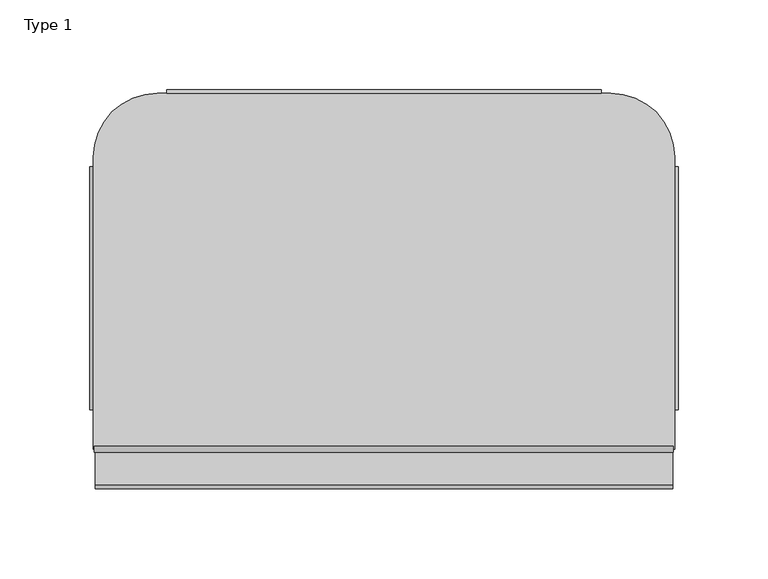
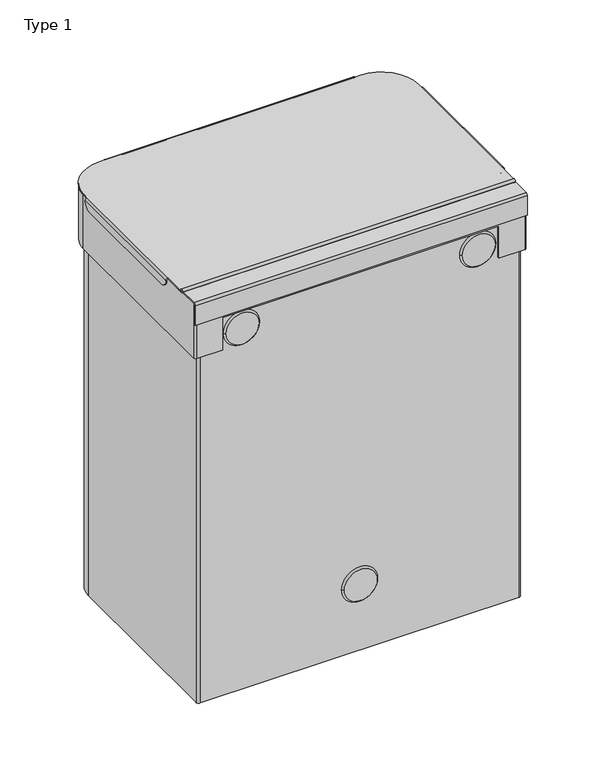
"""IFC4 building model written with IfcOpenShell, lengths in millimetres: furniture geometry, Type 1."""

from ifc_helpers import new_model, si_unit, point, frame, frame_2d, origin, place, context, project, spatial, polyline, circle_curve, trimmed, segment, composite_curve, outline, extrude, source, transform, mapped, element, save
from ifc_brep_helpers import plane_surface, cylinder_surface, revolved_surface, advanced_brep


def type_1_ab514cd2(model_context):
    return source(origin(), model_context, "Body", "SolidModel", [
        extrude(outline(composite_curve([segment(trimmed(circle_curve(frame_2d((98.0001106, 413.000009)), 1.7000416), [point((96.300069, 413.000009))], [point((99.7001522, 413.000009))], False, "CARTESIAN"), True, "CONTINUOUS"), segment(trimmed(circle_curve(frame_2d((98.0001106, 413.000009)), 1.7000416), [point((99.7001522, 413.000009))], [point((96.300069, 413.000009))], False, "CARTESIAN"), True, "CONTINUOUS")], self_intersect=False)), frame((-36.3811582, 0.0, 0.0), z_axis=(1.0, 0.0, 0.0), x_axis=(0.0, 1.0, 0.0)), (0.0, 0.0, 1.0), 322.6642996),
        advanced_brep(
        [(4.0000456, 297.4000034, 411.0000584), (4.0000456, 296.4000645, 411.9999973), (4.0000456, 296.4000645, 413.000009), (4.0000456, 298.4000877, 410.9999857), (245.9999544, 298.4000877, 410.9999857), (245.9999544, 296.4000645, 413.000009), (245.9999544, 296.4000645, 411.9999973), (245.9999544, 297.4000034, 411.0000584), (11.7090575, 298.4000877, 403.2999833), (238.2909425, 298.4000877, 403.2999833), (238.2909425, 297.4000034, 403.2999833), (11.7090575, 297.4000034, 403.2999833), (287.0000681, 260.8691578, 413.000009), (251.4691614, 296.4000645, 413.000009), (-1.5000681, 296.4000645, 413.000009), (-37.0000681, 260.9000645, 413.000009), (-37.0000681, 255.4000961, 413.000009), (-37.0000681, 120.0000759, 413.000009), (-37.0000681, 98.0001106, 413.000009), (287.0000681, 98.0001106, 413.000009), (287.0000681, 120.0000759, 413.000009), (287.0000681, 255.4000961, 413.000009), (287.0000681, 98.0001106, 411.9999973), (-37.0000681, 98.0001106, 411.9999973), (-37.0000681, 120.0000759, 411.9999973), (-37.0000681, 255.4000961, 411.9999973), (-37.0000681, 260.9000645, 411.9999973), (-1.5000681, 296.4000645, 411.9999973), (251.4691614, 296.4000645, 411.9999973), (287.0000681, 260.8691578, 411.9999973), (287.0000681, 255.4000961, 411.9999973), (287.0000681, 120.0000759, 411.9999973), (288.0000071, 255.4000961, 411.0000584), (288.999946, 255.4000961, 411.000131), (288.999946, 120.0000759, 411.000131), (288.0000071, 120.0000759, 411.0000584), (288.999946, 127.7000759, 403.2999833), (288.999946, 247.7000961, 403.2999833), (288.0000071, 127.7000759, 403.2999833), (288.0000071, 247.7000961, 403.2999833), (-38.999946, 255.4000961, 411.000131), (-38.0000071, 255.4000961, 411.0000584), (-38.0000071, 120.0000759, 411.0000584), (-38.999946, 120.0000759, 411.000131), (-38.999946, 247.7000961, 403.2999833), (-38.999946, 127.7000759, 403.2999833), (-38.0000071, 247.7000961, 403.2999833), (-38.0000071, 127.7000759, 403.2999833)],
        [
            (0, 1, circle_curve(frame((4.0000456, 296.4000645, 411.0000584), z_axis=(1.0, 0.0, 0.0), x_axis=(0.0, 1.0, 0.0)), 0.999939)),
            (1, 2),
            (2, 3, circle_curve(frame((4.0000456, 296.4000645, 410.9999857), z_axis=(-1.0, 0.0, 0.0), x_axis=(0.0, 1.0, 0.0)), 2.0000233)),
            (3, 0),
            (4, 5, circle_curve(frame((245.9999544, 296.4000645, 410.9999857), z_axis=(1.0, 0.0, 0.0), x_axis=(0.0, 1.0, 0.0)), 2.0000233)),
            (5, 6),
            (6, 7, circle_curve(frame((245.9999544, 296.4000645, 411.0000584), z_axis=(-1.0, 0.0, 0.0), x_axis=(0.0, 1.0, 0.0)), 0.999939)),
            (7, 4),
            (8, 9),
            (9, 10),
            (10, 11),
            (11, 8),
            (7, 0),
            (0, 11, circle_curve(frame((11.7090575, 297.4000034, 411.0089952), z_axis=(0.0, -1.0, 0.0), x_axis=(1.0, 0.0, 0.0)), 7.7090119)),
            (10, 7, circle_curve(frame((238.2909425, 297.4000034, 411.0089952), z_axis=(0.0, -1.0, 0.0), x_axis=(-1.0, 0.0, 0.0)), 7.7090119)),
            (6, 1),
            (2, 5),
            (4, 3),
            (4, 9, circle_curve(frame((238.2909425, 298.4000877, 411.0089952), z_axis=(0.0, 1.0, 0.0), x_axis=(-1.0, 0.0, 0.0)), 7.7090119)),
            (8, 3, circle_curve(frame((11.7090575, 298.4000877, 411.0089952), z_axis=(0.0, 1.0, 0.0), x_axis=(1.0, 0.0, 0.0)), 7.7090119)),
            (12, 13, circle_curve(frame((251.4691614, 260.8691578, 413.000009), z_axis=(0.0, 0.0, 1.0), x_axis=(-1.0, 0.0, 0.0)), 35.5309067)),
            (13, 5),
            (2, 14),
            (14, 15, circle_curve(frame((-1.5000681, 260.9000645, 413.000009), z_axis=(0.0, 0.0, 1.0), x_axis=(-1.0, 0.0, 0.0)), 35.5)),
            (15, 16),
            (16, 17),
            (17, 18),
            (18, 19),
            (19, 20),
            (20, 21),
            (21, 12),
            (22, 23),
            (23, 24),
            (24, 25),
            (25, 26),
            (26, 27, circle_curve(frame((-1.5000681, 260.9000645, 411.9999973), z_axis=(0.0, 0.0, -1.0), x_axis=(-1.0, 0.0, 0.0)), 35.5)),
            (27, 1),
            (6, 28),
            (28, 29, circle_curve(frame((251.4691614, 260.8691578, 411.9999973), z_axis=(0.0, 0.0, -1.0), x_axis=(-1.0, 0.0, 0.0)), 35.5309067)),
            (29, 30),
            (30, 31),
            (31, 22),
            (12, 29),
            (28, 13),
            (27, 14),
            (26, 15),
            (25, 16),
            (23, 18),
            (17, 24),
            (22, 19),
            (21, 30),
            (31, 20),
            (32, 30, circle_curve(frame((287.0000681, 255.4000961, 411.0000584), z_axis=(0.0, -1.0, 0.0), x_axis=(-1.0, 0.0, 0.0)), 0.999939)),
            (21, 33, circle_curve(frame((287.0000681, 255.4000961, 411.000131), z_axis=(0.0, 1.0, 0.0), x_axis=(-1.0, 0.0, 0.0)), 1.9998779)),
            (33, 32),
            (34, 20, circle_curve(frame((287.0000681, 120.0000759, 411.000131), z_axis=(0.0, -1.0, 0.0), x_axis=(-1.0, 0.0, 0.0)), 1.9998779)),
            (31, 35, circle_curve(frame((287.0000681, 120.0000759, 411.0000584), z_axis=(0.0, 1.0, 0.0), x_axis=(-1.0, 0.0, 0.0)), 0.999939)),
            (35, 34),
            (33, 34),
            (34, 36, circle_curve(frame((288.999946, 127.7000759, 410.9999833), z_axis=(1.0, 0.0, 0.0), x_axis=(0.0, 1.0, 0.0)), 7.7)),
            (36, 37),
            (37, 33, circle_curve(frame((288.999946, 247.7000961, 410.9999833), z_axis=(1.0, 0.0, 0.0), x_axis=(0.0, 1.0, 0.0)), 7.7)),
            (36, 38),
            (38, 39),
            (39, 37),
            (35, 32),
            (32, 39, circle_curve(frame((288.0000071, 247.7000961, 410.9999833), z_axis=(-1.0, 0.0, 0.0), x_axis=(0.0, 1.0, 0.0)), 7.7)),
            (38, 35, circle_curve(frame((288.0000071, 127.7000759, 410.9999833), z_axis=(-1.0, 0.0, 0.0), x_axis=(0.0, 1.0, 0.0)), 7.7)),
            (40, 16, circle_curve(frame((-37.0000681, 255.4000961, 411.000131), z_axis=(0.0, 1.0, 0.0), x_axis=(1.0, 0.0, 0.0)), 1.9998779)),
            (25, 41, circle_curve(frame((-37.0000681, 255.4000961, 411.0000584), z_axis=(0.0, -1.0, 0.0), x_axis=(1.0, 0.0, 0.0)), 0.999939)),
            (41, 40),
            (42, 24, circle_curve(frame((-37.0000681, 120.0000759, 411.0000584), z_axis=(0.0, 1.0, 0.0), x_axis=(1.0, 0.0, 0.0)), 0.999939)),
            (17, 43, circle_curve(frame((-37.0000681, 120.0000759, 411.000131), z_axis=(0.0, -1.0, 0.0), x_axis=(1.0, 0.0, 0.0)), 1.9998779)),
            (43, 42),
            (43, 40),
            (40, 44, circle_curve(frame((-38.999946, 247.7000961, 410.9999833), z_axis=(-1.0, 0.0, 0.0), x_axis=(0.0, 1.0, 0.0)), 7.7)),
            (44, 45),
            (45, 43, circle_curve(frame((-38.999946, 127.7000759, 410.9999833), z_axis=(-1.0, 0.0, 0.0), x_axis=(0.0, 1.0, 0.0)), 7.7)),
            (44, 46),
            (46, 47),
            (47, 45),
            (41, 42),
            (42, 47, circle_curve(frame((-38.0000071, 127.7000759, 410.9999833), z_axis=(1.0, 0.0, 0.0), x_axis=(0.0, 1.0, 0.0)), 7.7)),
            (46, 41, circle_curve(frame((-38.0000071, 247.7000961, 410.9999833), z_axis=(1.0, 0.0, 0.0), x_axis=(0.0, 1.0, 0.0)), 7.7)),
        ],
        [
            plane_surface(frame((4.0000456, 297.4000034, 403.2999833), z_axis=(-1.0, 0.0, 0.0), x_axis=(0.0, -1.0, 0.0))),
            plane_surface(frame((245.9999544, 297.4000034, 403.2999833), z_axis=(1.0, 0.0, 0.0), x_axis=(0.0, 1.0, 0.0))),
            plane_surface(frame((4.0000456, 298.4000877, 403.2999833), z_axis=(0.0, 0.0, -1.0), x_axis=(1.0, 0.0, 0.0))),
            plane_surface(frame((4.0000456, 297.4000034, 403.2999833), z_axis=(0.0, -1.0, 0.0), x_axis=(1.0, 0.0, 0.0))),
            revolved_surface(polyline([(245.9999544, 297.40000349999997, 411.0000584), (4.000045599999993, 297.40000349999997, 411.0000584)]), (245.9999544, 296.4000645, 411.0000584), (1.0, 0.0, 0.0)),
            cylinder_surface(frame((245.9999544, 296.4000645, 410.9999857), z_axis=(-1.0, 0.0, 0.0), x_axis=(0.0, 1.0, 0.0)), 2.0000233),
            plane_surface(frame((4.0000456, 298.4000877, 410.9999857), z_axis=(0.0, 1.0, 0.0), x_axis=(1.0, 0.0, 0.0))),
            plane_surface(frame((215.9382547, 260.8691578, 413.000009), z_axis=(0.0, 0.0, 1.0), x_axis=(0.0, -1.0, 0.0))),
            plane_surface(frame((215.9382547, 260.8691578, 411.9999973), z_axis=(0.0, 0.0, -1.0), x_axis=(0.0, 1.0, 0.0))),
            cylinder_surface(frame((251.4691614, 260.8691578, 411.9999973), z_axis=(0.0, 0.0, 1.0), x_axis=(-1.0, 0.0, 0.0)), 35.5309067),
            plane_surface(frame((251.4691614, 296.4000645, 413.000009), z_axis=(0.0, 1.0, 0.0), x_axis=(0.0, 0.0, -1.0))),
            cylinder_surface(frame((-1.5000681, 260.9000645, 411.9999973), z_axis=(0.0, 0.0, 1.0), x_axis=(-1.0, 0.0, 0.0)), 35.5),
            plane_surface(frame((-37.0000681, 260.9000645, 413.000009), z_axis=(-1.0, 0.0, 0.0), x_axis=(0.0, 0.0, -1.0))),
            plane_surface(frame((-37.0000681, 98.0001106, 413.000009), z_axis=(0.0, -1.0, 0.0), x_axis=(0.0, 0.0, -1.0))),
            plane_surface(frame((287.0000681, 98.0001106, 413.000009), z_axis=(1.0, 0.0, 0.0), x_axis=(0.0, 0.0, -1.0))),
            plane_surface(frame((286.0001291, 255.4000961, 411.0000584), z_axis=(0.0, 1.0, 0.0), x_axis=(0.0, 0.0, -1.0))),
            plane_surface(frame((286.0001291, 120.0000759, 411.0000584), z_axis=(0.0, -1.0, 0.0), x_axis=(0.0, 0.0, 1.0))),
            plane_surface(frame((288.999946, 255.4000961, 411.000131), z_axis=(1.0, 0.0, 0.0), x_axis=(0.0, -1.0, 0.0))),
            plane_surface(frame((288.999946, 255.4000961, 403.2999833), z_axis=(0.0, 0.0, -1.0), x_axis=(0.0, -1.0, 0.0))),
            plane_surface(frame((288.0000071, 255.4000961, 403.2999833), z_axis=(-1.0, 0.0, 0.0), x_axis=(0.0, -1.0, 0.0))),
            revolved_surface(polyline([(286.00012910000004, 120.0000759, 411.0000584), (286.00012910000004, 255.40009610000004, 411.0000584)]), (287.0000681, 120.0000759, 411.0000584), (0.0, -1.0, 0.0)),
            cylinder_surface(frame((287.0000681, 120.0000759, 411.000131), z_axis=(0.0, 1.0, 0.0), x_axis=(-1.0, 0.0, 0.0)), 1.9998779),
            plane_surface(frame((-38.0000071, 255.4000961, 409.4977881), z_axis=(0.0, 1.0, 0.0), x_axis=(0.0, 0.0, -1.0))),
            plane_surface(frame((-38.0000071, 120.0000759, 409.4977881), z_axis=(0.0, -1.0, 0.0), x_axis=(0.0, 0.0, 1.0))),
            plane_surface(frame((-38.999946, 255.4000961, 403.2999833), z_axis=(-1.0, 0.0, 0.0), x_axis=(0.0, -1.0, 0.0))),
            plane_surface(frame((-38.0000071, 255.4000961, 403.2999833), z_axis=(0.0, 0.0, -1.0), x_axis=(0.0, -1.0, 0.0))),
            plane_surface(frame((-38.0000071, 255.4000961, 411.0000584), z_axis=(1.0, 0.0, 0.0), x_axis=(0.0, -1.0, 0.0))),
            revolved_surface(polyline([(-36.0001291, 120.0000759, 411.0000584), (-36.0001291, 255.40009610000004, 411.0000584)]), (-37.0000681, 120.0000759, 411.0000584), (0.0, -1.0, 0.0)),
            cylinder_surface(frame((-37.0000681, 120.0000759, 411.000131), z_axis=(0.0, 1.0, 0.0), x_axis=(1.0, 0.0, 0.0)), 1.9998779),
            cylinder_surface(frame((238.2909425, 292.9507891, 411.0089952), z_axis=(0.0, -1.0, 0.0), x_axis=(-1.0, 0.0, 0.0)), 7.7090119),
            cylinder_surface(frame((11.7090575, 171.9501026, 411.0089952), z_axis=(0.0, -1.0, 0.0), x_axis=(1.0, 0.0, 0.0)), 7.7090119),
            cylinder_surface(frame((297.1746809, 127.7000759, 410.9999833), z_axis=(1.0, 0.0, 0.0), x_axis=(0.0, 1.0, 0.0)), 7.7),
            cylinder_surface(frame((125.0, 247.7000961, 410.9999833), z_axis=(1.0, 0.0, 0.0), x_axis=(0.0, 1.0, 0.0)), 7.7),
        ],
        [
            (0, [[1, 2, 3, 4]]),
            (1, [[5, 6, 7, 8]]),
            (2, [[9, 10, 11, 12]]),
            (3, [[13, 14, -11, 15]]),
            (4, [[-1, -13, -7, 16]]),
            (5, [[-3, 17, -5, 18]]),
            (6, [[-18, 19, -9, 20]]),
            (7, [[21, 22, -17, 23, 24, 25, 26, 27, 28, 29, 30, 31]]),
            (8, [[32, 33, 34, 35, 36, 37, -16, 38, 39, 40, 41, 42]]),
            (9, [[-21, 43, -39, 44]]),
            (10, [[-44, -38, -6, -22]]),
            (10, [[45, -23, -2, -37]]),
            (11, [[-24, -45, -36, 46]]),
            (12, [[-46, -35, 47, -25]]),
            (12, [[48, -27, 49, -33]]),
            (13, [[-28, -48, -32, 50]]),
            (14, [[-43, -31, 51, -40]]),
            (14, [[-50, -42, 52, -29]]),
            (15, [[53, -51, 54, 55]]),
            (16, [[56, -52, 57, 58]]),
            (17, [[59, 60, 61, 62]]),
            (18, [[-61, 63, 64, 65]]),
            (19, [[66, 67, -64, 68]]),
            (20, [[-53, -66, -57, -41]]),
            (21, [[-54, -30, -56, -59]]),
            (22, [[69, -47, 70, 71]]),
            (23, [[72, -49, 73, 74]]),
            (24, [[75, 76, 77, 78]]),
            (25, [[-77, 79, 80, 81]]),
            (26, [[82, 83, -80, 84]]),
            (27, [[-70, -34, -72, -82]]),
            (28, [[-69, -75, -73, -26]]),
            (29, [[-8, -15, -10, -19]]),
            (30, [[-4, -20, -12, -14]]),
            (31, [[-58, -68, -63, -60]]),
            (31, [[-74, -78, -81, -83]]),
            (32, [[-55, -62, -65, -67]]),
            (32, [[-71, -84, -79, -76]]),
        ],
    ),
        extrude(outline(composite_curve([segment(polyline([(98.0001106, 413.000009), (98.0001106, 411.9999973), (78.0000843, 411.9999973)]), True, "CONTINUOUS"), segment(trimmed(circle_curve(frame_2d((78.0000843, 410.9999973)), 1.0), [point((78.0000843, 411.9999973))], [point((77.0000843, 410.9999973))], True, "CARTESIAN"), True, "CONTINUOUS"), segment(polyline([(77.0000843, 410.9999973), (77.0000843, 391.0000073), (76.0, 391.0000073), (76.0, 411.000009)]), True, "CONTINUOUS"), segment(trimmed(circle_curve(frame_2d((78.0, 411.000009)), 2.0), [point((76.0, 411.000009))], [point((78.0, 413.000009))], False, "CARTESIAN"), True, "CONTINUOUS"), segment(polyline([(78.0, 413.000009), (98.0001106, 413.000009)]), True, "CONTINUOUS")], self_intersect=False)), frame((-36.0000565, 0.0, 0.0), z_axis=(1.0, 0.0, 0.0), x_axis=(0.0, 1.0, 0.0)), (0.0, 0.0, 1.0), 322.0000402),
        advanced_brep(
        [(285.9999838, 264.40014, 410.9999857), (259.9999838, 290.40014, 410.9999857), (231.4999674, 290.40014, 410.9999857), (231.4999674, 288.4000053, 410.9999857), (231.4347708, 287.4001167, 410.9999857), (256.0000042, 287.4001167, 410.9999857), (281.0000042, 262.4001167, 410.9999857), (281.0000042, 235.291672, 410.9999857), (283.9999945, 235.9001236, 410.9999857), (285.9999838, 235.9001236, 410.9999857), (-10.0000565, 290.40014, 410.9999857), (-36.0000565, 264.40014, 410.9999857), (-36.0000565, 235.9001236, 410.9999857), (-33.9999945, 235.9001236, 410.9999857), (-30.9999793, 235.2916614, 410.9999857), (-30.9999793, 262.4001167, 410.9999857), (-5.9999793, 287.4001167, 410.9999857), (18.5651566, 287.4001167, 410.9999857), (18.4999599, 288.4000053, 410.9999857), (18.4999599, 290.40014, 410.9999857), (276.2999945, 80.0001076, 410.9999857), (-26.2999945, 80.0001076, 410.9999857), (-26.2999945, 76.825095, 410.9999857), (276.2999945, 76.825095, 410.9999857), (285.9999838, 78.825095, 355.9999998), (283.9999838, 76.825095, 355.9999998), (258.9999603, 76.825095, 355.9999998), (258.9999603, 79.0001076, 355.9999998), (279.4933934, 79.0001076, 355.9999998), (282.0000042, 81.5067184, 355.9999998), (282.0000042, 262.4001167, 355.9999998), (256.0000042, 288.4001167, 355.9999998), (-5.9999793, 288.4001167, 355.9999998), (-31.9999793, 262.4001167, 355.9999998), (-31.9999793, 81.5001076, 355.9999998), (-29.4999793, 79.0001076, 355.9999998), (-9.000033, 79.0001076, 355.9999998), (-9.000033, 76.825095, 355.9999998), (-34.0000565, 76.825095, 355.9999998), (-36.0000565, 78.825095, 355.9999998), (-36.0000565, 264.40014, 355.9999998), (-10.0000565, 290.40014, 355.9999998), (259.9999838, 290.40014, 355.9999998), (285.9999838, 264.40014, 355.9999998), (285.9999838, 235.9001236, 411.9999973), (285.9999838, 78.825095, 411.9999973), (285.9999838, 78.825095, 410.9999857), (18.4999599, 290.40014, 411.9999973), (231.4999674, 290.40014, 411.9999973), (-36.0000565, 78.825095, 410.9999857), (-36.0000565, 78.825095, 411.9999973), (-36.0000565, 235.9001236, 411.9999973), (-34.0000565, 76.825095, 410.9999857), (-9.000033, 76.825095, 388.9166679), (258.9999603, 76.825095, 388.9166679), (283.9999838, 76.825095, 410.9999857), (283.9999838, 76.825095, 411.9999973), (276.2999945, 76.825095, 411.9999973), (-26.2999945, 76.825095, 411.9999973), (-33.9999838, 76.825095, 411.9999973), (-9.000033, 79.0001076, 388.9166679), (258.9999603, 79.0001076, 388.9166679), (282.0000042, 81.5067184, 0.0), (279.4933934, 79.0001076, 0.0), (-29.4999793, 79.0001076, 0.0), (-31.9999793, 81.5001076, 0.0), (-31.9999793, 262.4001167, 0.0), (-5.9999793, 288.4001167, 0.0), (256.0000042, 288.4001167, 0.0), (282.0000042, 262.4001167, 0.0), (281.0000042, 262.4001167, 0.0), (256.0000042, 287.4001167, 0.0), (-5.9999793, 287.4001167, 0.0), (-30.9999793, 262.4001167, 0.0), (-30.9999793, 81.5001076, 0.0), (-29.4999793, 80.0001076, 0.0), (279.4933934, 80.0001076, 0.0), (281.0000042, 81.5067184, 0.0), (281.0000042, 81.5067184, 410.9999857), (279.4933934, 80.0001076, 410.9999857), (-29.4999793, 80.0001076, 410.9999857), (-30.9999793, 81.5001076, 410.9999857), (26.1999599, 280.7000053, 411.9999973), (223.7999674, 280.7000053, 411.9999973), (231.4999674, 288.4000053, 411.9999973), (18.4999599, 288.4000053, 411.9999973), (276.2999945, 228.2001236, 411.9999973), (283.9999945, 235.9001236, 411.9999973), (-26.2999945, 228.2001236, 411.9999973), (-33.9999945, 235.9001236, 411.9999973), (223.7999674, 280.7000053, 410.9999857), (26.1999599, 280.7000053, 410.9999857), (276.2999945, 228.2001236, 410.9999857), (-26.2999945, 228.2001236, 410.9999857)],
        [
            (0, 1, circle_curve(frame((259.9999838, 264.40014, 410.9999857), z_axis=(0.0, 0.0, 1.0), x_axis=(-1.0, 0.0, 0.0)), 26.0)),
            (1, 2),
            (2, 3),
            (3, 4, circle_curve(frame((223.7999674, 288.4000053, 410.9999857), z_axis=(0.0, 0.0, -1.0), x_axis=(-1.0, 0.0, 0.0)), 7.7)),
            (4, 5),
            (5, 6, circle_curve(frame((256.0000042, 262.4001167, 410.9999857), z_axis=(0.0, 0.0, -1.0), x_axis=(-1.0, 0.0, 0.0)), 25.0)),
            (6, 7),
            (7, 8, circle_curve(frame((283.9999945, 228.2001236, 410.9999857), z_axis=(0.0, 0.0, -1.0), x_axis=(-1.0, 0.0, 0.0)), 7.7)),
            (8, 9),
            (9, 0),
            (10, 11, circle_curve(frame((-10.0000565, 264.40014, 410.9999857), z_axis=(0.0, 0.0, 1.0), x_axis=(-1.0, 0.0, 0.0)), 26.0)),
            (11, 12),
            (12, 13),
            (13, 14, circle_curve(frame((-33.9999945, 228.2001236, 410.9999857), z_axis=(0.0, 0.0, -1.0), x_axis=(1.0, 0.0, 0.0)), 7.7)),
            (14, 15),
            (15, 16, circle_curve(frame((-5.9999793, 262.4001167, 410.9999857), z_axis=(0.0, 0.0, -1.0), x_axis=(-1.0, 0.0, 0.0)), 25.0)),
            (16, 17),
            (17, 18, circle_curve(frame((26.1999599, 288.4000053, 410.9999857), z_axis=(0.0, 0.0, -1.0), x_axis=(-1.0, 0.0, 0.0)), 7.7)),
            (18, 19),
            (19, 10),
            (20, 21),
            (21, 22),
            (22, 23),
            (23, 20),
            (24, 25, circle_curve(frame((283.9999838, 78.825095, 355.9999998), z_axis=(0.0, 0.0, -1.0), x_axis=(-1.0, 0.0, 0.0)), 2.0)),
            (25, 26),
            (26, 27),
            (27, 28),
            (28, 29, circle_curve(frame((279.4933934, 81.5067184, 355.9999998), z_axis=(0.0, 0.0, 1.0), x_axis=(-1.0, 0.0, 0.0)), 2.5066109)),
            (29, 30),
            (30, 31, circle_curve(frame((256.0000042, 262.4001167, 355.9999998), z_axis=(0.0, 0.0, 1.0), x_axis=(-1.0, 0.0, 0.0)), 26.0)),
            (31, 32),
            (32, 33, circle_curve(frame((-5.9999793, 262.4001167, 355.9999998), z_axis=(0.0, 0.0, 1.0), x_axis=(-1.0, 0.0, 0.0)), 26.0)),
            (33, 34),
            (34, 35, circle_curve(frame((-29.4999793, 81.5001076, 355.9999998), z_axis=(0.0, 0.0, 1.0), x_axis=(-1.0, 0.0, 0.0)), 2.5)),
            (35, 36),
            (36, 37),
            (37, 38),
            (38, 39, circle_curve(frame((-34.0000565, 78.825095, 355.9999998), z_axis=(0.0, 0.0, -1.0), x_axis=(-1.0, 0.0, 0.0)), 2.0)),
            (39, 40),
            (40, 41, circle_curve(frame((-10.0000565, 264.40014, 355.9999998), z_axis=(0.0, 0.0, -1.0), x_axis=(-1.0, 0.0, 0.0)), 26.0)),
            (41, 42),
            (42, 43, circle_curve(frame((259.9999838, 264.40014, 355.9999998), z_axis=(0.0, 0.0, -1.0), x_axis=(-1.0, 0.0, 0.0)), 26.0)),
            (43, 24),
            (43, 0),
            (9, 44),
            (44, 45),
            (45, 46),
            (46, 24),
            (42, 1),
            (41, 10),
            (19, 47),
            (47, 48),
            (48, 2),
            (40, 11),
            (39, 49),
            (49, 50),
            (50, 51),
            (51, 12),
            (38, 52),
            (52, 49, circle_curve(frame((-34.0000565, 78.825095, 410.9999857), z_axis=(0.0, 0.0, -1.0), x_axis=(-1.0, 0.0, 0.0)), 2.0)),
            (37, 53),
            (53, 54),
            (54, 26),
            (25, 55),
            (55, 56),
            (56, 57),
            (57, 23),
            (22, 58),
            (58, 59),
            (59, 52),
            (46, 55, circle_curve(frame((283.9999838, 78.825095, 410.9999857), z_axis=(0.0, 0.0, -1.0), x_axis=(-1.0, 0.0, 0.0)), 2.0)),
            (53, 60),
            (60, 61),
            (61, 54),
            (61, 27),
            (36, 60),
            (62, 63, circle_curve(frame((279.4933934, 81.5067184, 0.0), z_axis=(0.0, 0.0, -1.0), x_axis=(-1.0, 0.0, 0.0)), 2.5066109)),
            (63, 64),
            (64, 65, circle_curve(frame((-29.4999793, 81.5001076, 0.0), z_axis=(0.0, 0.0, -1.0), x_axis=(-1.0, 0.0, 0.0)), 2.5)),
            (65, 66),
            (66, 67, circle_curve(frame((-5.9999793, 262.4001167, 0.0), z_axis=(0.0, 0.0, -1.0), x_axis=(-1.0, 0.0, 0.0)), 26.0)),
            (67, 68),
            (68, 69, circle_curve(frame((256.0000042, 262.4001167, 0.0), z_axis=(0.0, 0.0, -1.0), x_axis=(-1.0, 0.0, 0.0)), 26.0)),
            (69, 62),
            (70, 71, circle_curve(frame((256.0000042, 262.4001167, 0.0), z_axis=(0.0, 0.0, 1.0), x_axis=(-1.0, 0.0, 0.0)), 25.0)),
            (71, 72),
            (72, 73, circle_curve(frame((-5.9999793, 262.4001167, 0.0), z_axis=(0.0, 0.0, 1.0), x_axis=(-1.0, 0.0, 0.0)), 25.0)),
            (73, 74),
            (74, 75, circle_curve(frame((-29.4999793, 81.5001076, 0.0), z_axis=(0.0, 0.0, 1.0), x_axis=(-1.0, 0.0, 0.0)), 1.5)),
            (75, 76),
            (76, 77, circle_curve(frame((279.4933934, 81.5067184, 0.0), z_axis=(0.0, 0.0, 1.0), x_axis=(-1.0, 0.0, 0.0)), 1.5066109)),
            (77, 70),
            (69, 30),
            (29, 62),
            (68, 31),
            (67, 32),
            (66, 33),
            (65, 34),
            (64, 35),
            (63, 28),
            (77, 78),
            (78, 7),
            (6, 70),
            (76, 79),
            (79, 78, circle_curve(frame((279.4933934, 81.5067184, 410.9999857), z_axis=(0.0, 0.0, 1.0), x_axis=(-1.0, 0.0, 0.0)), 1.5066109)),
            (75, 80),
            (80, 21),
            (20, 79),
            (74, 81),
            (81, 80, circle_curve(frame((-29.4999793, 81.5001076, 410.9999857), z_axis=(0.0, 0.0, 1.0), x_axis=(-1.0, 0.0, 0.0)), 1.5)),
            (73, 15),
            (14, 81),
            (72, 16),
            (71, 5),
            (4, 17),
            (82, 83),
            (83, 84, circle_curve(frame((223.7999674, 288.4000053, 411.9999973), z_axis=(0.0, 0.0, 1.0), x_axis=(-1.0, 0.0, 0.0)), 7.7)),
            (84, 48),
            (47, 85),
            (85, 82, circle_curve(frame((26.1999599, 288.4000053, 411.9999973), z_axis=(0.0, 0.0, 1.0), x_axis=(-1.0, 0.0, 0.0)), 7.7)),
            (86, 57),
            (56, 45, circle_curve(frame((283.9999838, 78.825095, 411.9999973), z_axis=(0.0, 0.0, 1.0), x_axis=(-1.0, 0.0, 0.0)), 2.0)),
            (44, 87),
            (87, 86, circle_curve(frame((283.9999945, 228.2001236, 411.9999973), z_axis=(0.0, 0.0, 1.0), x_axis=(-1.0, 0.0, 0.0)), 7.7)),
            (88, 89, circle_curve(frame((-33.9999945, 228.2001236, 411.9999973), z_axis=(0.0, 0.0, 1.0), x_axis=(1.0, 0.0, 0.0)), 7.7)),
            (89, 51),
            (50, 59, circle_curve(frame((-33.9999838, 78.825095, 411.9999973), z_axis=(0.0, 0.0, 1.0), x_axis=(1.0, 0.0, 0.0)), 2.0)),
            (58, 88),
            (90, 91),
            (91, 17, circle_curve(frame((26.1999599, 288.4000053, 410.9999857), z_axis=(0.0, 0.0, -1.0), x_axis=(-1.0, 0.0, 0.0)), 7.7)),
            (4, 90, circle_curve(frame((223.7999674, 288.4000053, 410.9999857), z_axis=(0.0, 0.0, -1.0), x_axis=(-1.0, 0.0, 0.0)), 7.7)),
            (92, 7, circle_curve(frame((283.9999945, 228.2001236, 410.9999857), z_axis=(0.0, 0.0, -1.0), x_axis=(-1.0, 0.0, 0.0)), 7.7)),
            (20, 92),
            (93, 21),
            (14, 93, circle_curve(frame((-33.9999945, 228.2001236, 410.9999857), z_axis=(0.0, 0.0, -1.0), x_axis=(1.0, 0.0, 0.0)), 7.7)),
            (82, 91),
            (90, 83),
            (3, 84),
            (18, 85),
            (86, 92),
            (8, 87),
            (88, 93),
            (13, 89),
        ],
        [
            plane_surface(frame((276.9867825, 81.5067184, 410.9999857), z_axis=(0.0, 0.0, 1.0), x_axis=(0.0, 1.0, 0.0))),
            plane_surface(frame((276.9867825, 81.5067184, 355.9999998), z_axis=(0.0, 0.0, -1.0), x_axis=(0.0, -1.0, 0.0))),
            plane_surface(frame((285.9999838, 78.825095, 410.9999857), z_axis=(1.0, 0.0, 0.0), x_axis=(0.0, 0.0, -1.0))),
            cylinder_surface(frame((259.9999838, 264.40014, 447.0), z_axis=(0.0, 0.0, 1.0), x_axis=(-1.0, 0.0, 0.0)), 26.0),
            plane_surface(frame((259.9999838, 290.40014, 410.9999857), z_axis=(0.0, 1.0, 0.0), x_axis=(0.0, 0.0, -1.0))),
            cylinder_surface(frame((-10.0000565, 264.40014, 447.0), z_axis=(0.0, 0.0, 1.0), x_axis=(-1.0, 0.0, 0.0)), 26.0),
            plane_surface(frame((-36.0000565, 264.40014, 410.9999857), z_axis=(-1.0, 0.0, 0.0), x_axis=(0.0, 0.0, -1.0))),
            cylinder_surface(frame((-34.0000565, 78.825095, 447.0), z_axis=(0.0, 0.0, 1.0), x_axis=(-1.0, 0.0, 0.0)), 2.0),
            plane_surface(frame((-34.0000565, 76.825095, 410.9999857), z_axis=(0.0, -1.0, 0.0), x_axis=(0.0, 0.0, -1.0))),
            cylinder_surface(frame((283.9999838, 78.825095, 447.0), z_axis=(0.0, 0.0, 1.0), x_axis=(-1.0, 0.0, 0.0)), 2.0),
            plane_surface(frame((-9.000033, 79.0001076, 388.9166679), z_axis=(0.0, 0.0, -1.0), x_axis=(0.0, -1.0, 0.0))),
            plane_surface(frame((258.9999603, 79.0001076, 388.9166679), z_axis=(-1.0, 0.0, 0.0), x_axis=(0.0, -1.0, 0.0))),
            plane_surface(frame((-9.000033, 79.0001076, 350.4438006), z_axis=(1.0, 0.0, 0.0), x_axis=(0.0, -1.0, 0.0))),
            plane_surface(frame((282.0000042, 262.4001049, 0.0), z_axis=(0.0, 0.0, -1.0), x_axis=(0.0, -1.0, 0.0))),
            plane_surface(frame((282.0000042, 81.5067184, 410.9999857), z_axis=(1.0, 0.0, 0.0), x_axis=(0.0, 0.0, -1.0))),
            cylinder_surface(frame((256.0000042, 262.4001167, 0.0), z_axis=(0.0, 0.0, 1.0), x_axis=(-1.0, 0.0, 0.0)), 26.0),
            plane_surface(frame((256.0000042, 288.4001167, 410.9999857), z_axis=(0.0, 1.0, 0.0), x_axis=(0.0, 0.0, -1.0))),
            cylinder_surface(frame((-5.9999793, 262.4001167, 0.0), z_axis=(0.0, 0.0, 1.0), x_axis=(-1.0, 0.0, 0.0)), 26.0),
            plane_surface(frame((-31.9999793, 262.4001167, 410.9999857), z_axis=(-1.0, 0.0, 0.0), x_axis=(0.0, 0.0, -1.0))),
            cylinder_surface(frame((-29.4999793, 81.5001076, 0.0), z_axis=(0.0, 0.0, 1.0), x_axis=(-1.0, 0.0, 0.0)), 2.5),
            plane_surface(frame((-29.4999793, 79.0001076, 410.9999857), z_axis=(0.0, -1.0, 0.0), x_axis=(0.0, 0.0, -1.0))),
            cylinder_surface(frame((279.4933934, 81.5067184, 0.0), z_axis=(0.0, 0.0, 1.0), x_axis=(-1.0, 0.0, 0.0)), 2.5066109),
            plane_surface(frame((281.0000042, 262.4001167, 410.9999857), z_axis=(-1.0, 0.0, 0.0), x_axis=(0.0, 0.0, -1.0))),
            revolved_surface(polyline([(277.9867825, 81.5067184, 0.0), (277.9867825, 81.5067184, 410.9999857)]), (279.4933934, 81.5067184, 447.0), (0.0, 0.0, -1.0)),
            plane_surface(frame((279.4933934, 80.0001076, 410.9999857), z_axis=(0.0, 1.0, 0.0), x_axis=(0.0, 0.0, -1.0))),
            revolved_surface(polyline([(-30.9999793, 81.5001076, 0.0), (-30.9999793, 81.5001076, 410.9999857)]), (-29.4999793, 81.5001076, 447.0), (0.0, 0.0, -1.0)),
            plane_surface(frame((-30.9999793, 81.5001076, 410.9999857), z_axis=(1.0, 0.0, 0.0), x_axis=(0.0, 0.0, -1.0))),
            revolved_surface(polyline([(-30.9999793, 262.4001167, 0.0), (-30.9999793, 262.4001167, 410.9999857)]), (-5.9999793, 262.4001167, 447.0), (0.0, 0.0, -1.0)),
            plane_surface(frame((-5.9999793, 287.4001167, 410.9999857), z_axis=(0.0, -1.0, 0.0), x_axis=(0.0, 0.0, -1.0))),
            revolved_surface(polyline([(231.00000419999998, 262.4001167, 0.0), (231.00000419999998, 262.4001167, 410.9999857)]), (256.0000042, 262.4001167, 447.0), (0.0, 0.0, -1.0)),
            plane_surface(frame((223.8000013, 280.7000053, 411.9999973), z_axis=(0.0, 0.0, 1.0), x_axis=(1.0, 0.0, 0.0))),
            plane_surface(frame((223.8000013, 280.7000053, 410.9999857), z_axis=(0.0, 0.0, -1.0), x_axis=(-1.0, 0.0, 0.0))),
            plane_surface(frame((26.1999599, 280.7000053, 411.9999973), z_axis=(0.0, -1.0, 0.0), x_axis=(0.0, 0.0, -1.0))),
            cylinder_surface(frame((223.7999674, 288.4000053, 410.9999857), z_axis=(0.0, 0.0, 1.0), x_axis=(-1.0, 0.0, 0.0)), 7.7),
            plane_surface(frame((231.4999674, 288.4000053, 411.9999973), z_axis=(1.0, 0.0, 0.0), x_axis=(0.0, 0.0, -1.0))),
            plane_surface(frame((18.4999599, 290.40014, 411.9999973), z_axis=(-1.0, 0.0, 0.0), x_axis=(0.0, 0.0, -1.0))),
            cylinder_surface(frame((26.1999599, 288.4000053, 410.9999857), z_axis=(0.0, 0.0, 1.0), x_axis=(-1.0, 0.0, 0.0)), 7.7),
            plane_surface(frame((276.2999945, 228.2001236, 411.9999973), z_axis=(-1.0, 0.0, 0.0), x_axis=(0.0, 0.0, -1.0))),
            plane_surface(frame((285.9999838, 235.9001236, 411.9999973), z_axis=(0.0, 1.0, 0.0), x_axis=(0.0, 0.0, -1.0))),
            cylinder_surface(frame((283.9999945, 228.2001236, 447.0), z_axis=(0.0, 0.0, 1.0), x_axis=(-1.0, 0.0, 0.0)), 7.7),
            cylinder_surface(frame((-33.9999945, 228.2001236, 447.0), z_axis=(0.0, 0.0, 1.0), x_axis=(1.0, 0.0, 0.0)), 7.7),
            plane_surface(frame((-33.9999945, 235.9001236, 411.9999973), z_axis=(0.0, 1.0, 0.0), x_axis=(0.0, 0.0, -1.0))),
            cylinder_surface(frame((-33.9999838, 78.825095, 447.0), z_axis=(0.0, 0.0, 1.0), x_axis=(1.0, 0.0, 0.0)), 2.0),
            plane_surface(frame((-26.2999945, 76.825095, 411.9999973), z_axis=(1.0, 0.0, 0.0), x_axis=(0.0, 0.0, -1.0))),
        ],
        [
            (0, [[1, 2, 3, 4, 5, 6, 7, 8, 9, 10]]),
            (0, [[11, 12, 13, 14, 15, 16, 17, 18, 19, 20]]),
            (0, [[21, 22, 23, 24]]),
            (1, [[25, 26, 27, 28, 29, 30, 31, 32, 33, 34, 35, 36, 37, 38, 39, 40, 41, 42, 43, 44]]),
            (2, [[-44, 45, -10, 46, 47, 48, 49]]),
            (3, [[-1, -45, -43, 50]]),
            (4, [[-42, 51, -20, 52, 53, 54, -2, -50]]),
            (5, [[-11, -51, -41, 55]]),
            (6, [[-40, 56, 57, 58, 59, -12, -55]]),
            (7, [[-39, 60, 61, -56]]),
            (8, [[-60, -38, 62, 63, 64, -26, 65, 66, 67, 68, -23, 69, 70, 71]]),
            (9, [[-25, -49, 72, -65]]),
            (10, [[73, 74, 75, -63]]),
            (11, [[-75, 76, -27, -64]]),
            (12, [[-73, -62, -37, 77]]),
            (13, [[78, 79, 80, 81, 82, 83, 84, 85], [86, 87, 88, 89, 90, 91, 92, 93]]),
            (14, [[-85, 94, -30, 95]]),
            (15, [[-84, 96, -31, -94]]),
            (16, [[-83, 97, -32, -96]]),
            (17, [[-82, 98, -33, -97]]),
            (18, [[-81, 99, -34, -98]]),
            (19, [[-80, 100, -35, -99]]),
            (20, [[-79, 101, -28, -76, -74, -77, -36, -100]]),
            (21, [[-78, -95, -29, -101]]),
            (22, [[-93, 102, 103, -7, 104]]),
            (23, [[-92, 105, 106, -102]]),
            (24, [[-91, 107, 108, -21, 109, -105]]),
            (25, [[-90, 110, 111, -107]]),
            (26, [[-89, 112, -15, 113, -110]]),
            (27, [[-16, -112, -88, 114]]),
            (28, [[-87, 115, -5, 116, -17, -114]]),
            (29, [[-6, -115, -86, -104]]),
            (30, [[117, 118, 119, -53, 120, 121]]),
            (30, [[122, -67, 123, -47, 124, 125]]),
            (30, [[126, 127, -58, 128, -70, 129]]),
            (31, [[130, 131, -116, 132]]),
            (31, [[133, -103, -106, -109, 134]]),
            (31, [[135, -108, -111, -113, 136]]),
            (32, [[-117, 137, -130, 138]]),
            (33, [[-118, -138, -132, -4, 139]]),
            (34, [[-119, -139, -3, -54]]),
            (35, [[-120, -52, -19, 140]]),
            (36, [[-121, -140, -18, -131, -137]]),
            (37, [[-122, 141, -134, -24, -68]]),
            (9, [[-123, -66, -72, -48]]),
            (38, [[-124, -46, -9, 142]]),
            (39, [[-125, -142, -8, -133, -141]]),
            (40, [[-126, 143, -136, -14, 144]]),
            (41, [[-127, -144, -13, -59]]),
            (42, [[-128, -57, -61, -71]]),
            (43, [[-129, -69, -22, -135, -143]]),
        ],
    ),
        advanced_brep(
        [(140.8750003, 76.825095, 68.0000009), (109.1249997, 76.825095, 68.0000009), (143.0499997, 79.0001076, 68.0000009), (106.9500003, 79.0001076, 68.0000009)],
        [
            (0, 1, circle_curve(frame((125.0, 76.825095, 68.0000009), z_axis=(0.0, -1.0, 0.0), x_axis=(1.0, 0.0, 0.0)), 15.8750003)),
            (1, 0, circle_curve(frame((125.0, 76.825095, 68.0000009), z_axis=(0.0, -1.0, 0.0), x_axis=(-1.0, 0.0, 0.0)), 15.8750003)),
            (2, 3, circle_curve(frame((125.0, 79.0001076, 68.0000009), z_axis=(0.0, 1.0, 0.0), x_axis=(-1.0, 0.0, 0.0)), 18.0499997)),
            (3, 2, circle_curve(frame((125.0, 79.0001076, 68.0000009), z_axis=(0.0, 1.0, 0.0), x_axis=(1.0, 0.0, 0.0)), 18.0499997)),
            (2, 0),
            (1, 3),
        ],
        [
            plane_surface(frame((125.0, 76.825095, 68.0000009), z_axis=(0.0, -1.0, 0.0), x_axis=(0.0, 0.0, -1.0))),
            plane_surface(frame((125.0, 79.0001076, 68.0000009), z_axis=(0.0, 1.0, 0.0), x_axis=(0.0, 0.0, -1.0))),
            revolved_surface(polyline([(109.1249997536042, 76.825095, 68.0000009), (106.9500003, 79.0001076, 68.0000009)]), (125.0, 60.9499988, 68.0000009), (0.0, 1.0, 0.0)),
            revolved_surface(polyline([(140.8750002463958, 76.825095, 68.0000009), (143.0499997, 79.0001076, 68.0000009)]), (125.0, 60.9499988, 68.0000009), (0.0, 1.0, 0.0)),
        ],
        [
            (0, [[1, 2]]),
            (1, [[3, 4]]),
            (2, [[-3, 5, -2, 6]]),
            (3, [[-4, -6, -1, -5]]),
        ],
    ),
        advanced_brep(
        [(-5.3750051, 76.825095, 371.0000108), (26.3749955, 76.825095, 371.0000108), (-7.5500045, 79.0001076, 371.0000108), (28.5499949, 79.0001076, 371.0000108)],
        [
            (0, 1, circle_curve(frame((10.4999952, 76.825095, 371.0000108), z_axis=(0.0, -1.0, 0.0), x_axis=(-1.0, 0.0, 0.0)), 15.8750003)),
            (1, 0, circle_curve(frame((10.4999952, 76.825095, 371.0000108), z_axis=(0.0, -1.0, 0.0), x_axis=(1.0, 0.0, 0.0)), 15.8750003)),
            (2, 3, circle_curve(frame((10.4999952, 79.0001076, 371.0000108), z_axis=(0.0, 1.0, 0.0), x_axis=(1.0, 0.0, 0.0)), 18.0499997)),
            (3, 2, circle_curve(frame((10.4999952, 79.0001076, 371.0000108), z_axis=(0.0, 1.0, 0.0), x_axis=(-1.0, 0.0, 0.0)), 18.0499997)),
            (3, 1),
            (0, 2),
        ],
        [
            plane_surface(frame((10.4999952, 76.825095, 371.0000108), z_axis=(0.0, -1.0, 0.0), x_axis=(0.0, 0.0, 1.0))),
            plane_surface(frame((10.4999952, 79.0001076, 371.0000108), z_axis=(0.0, 1.0, 0.0), x_axis=(0.0, 0.0, 1.0))),
            revolved_surface(polyline([(-5.375005046395804, 76.825095, 371.0000108), (-7.5500045, 79.0001076, 371.0000108)]), (10.4999952, 60.9499988, 371.0000108), (0.0, 1.0, 0.0)),
            revolved_surface(polyline([(26.374995446395808, 76.825095, 371.0000108), (28.5499949, 79.0001076, 371.0000108)]), (10.4999952, 60.9499988, 371.0000108), (0.0, 1.0, 0.0)),
        ],
        [
            (0, [[1, 2]]),
            (1, [[3, 4]]),
            (2, [[-4, 5, -1, 6]]),
            (3, [[-3, -6, -2, -5]]),
        ],
    ),
        advanced_brep(
        [(255.3750051, 76.825095, 371.0000108), (223.6250045, 76.825095, 371.0000108), (257.5500045, 79.0001076, 371.0000108), (221.4500051, 79.0001076, 371.0000108)],
        [
            (0, 1, circle_curve(frame((239.5000048, 76.825095, 371.0000108), z_axis=(0.0, -1.0, 0.0), x_axis=(1.0, 0.0, 0.0)), 15.8750003)),
            (1, 0, circle_curve(frame((239.5000048, 76.825095, 371.0000108), z_axis=(0.0, -1.0, 0.0), x_axis=(-1.0, 0.0, 0.0)), 15.8750003)),
            (2, 3, circle_curve(frame((239.5000048, 79.0001076, 371.0000108), z_axis=(0.0, 1.0, 0.0), x_axis=(-1.0, 0.0, 0.0)), 18.0499997)),
            (3, 2, circle_curve(frame((239.5000048, 79.0001076, 371.0000108), z_axis=(0.0, 1.0, 0.0), x_axis=(1.0, 0.0, 0.0)), 18.0499997)),
            (2, 0),
            (1, 3),
        ],
        [
            plane_surface(frame((239.5000048, 76.825095, 371.0000108), z_axis=(0.0, -1.0, 0.0), x_axis=(0.0, 0.0, -1.0))),
            plane_surface(frame((239.5000048, 79.0001076, 371.0000108), z_axis=(0.0, 1.0, 0.0), x_axis=(0.0, 0.0, -1.0))),
            revolved_surface(polyline([(223.62500455360419, 76.825095, 371.0000108), (221.4500051, 79.0001076, 371.0000108)]), (239.5000048, 60.9499988, 371.0000108), (0.0, 1.0, 0.0)),
            revolved_surface(polyline([(255.3750050463958, 76.825095, 371.0000108), (257.5500045, 79.0001076, 371.0000108)]), (239.5000048, 60.9499988, 371.0000108), (0.0, 1.0, 0.0)),
        ],
        [
            (0, [[1, 2]]),
            (1, [[3, 4]]),
            (2, [[-3, 5, -2, 6]]),
            (3, [[-4, -6, -1, -5]]),
        ],
    ),
        extrude(outline(composite_curve([segment(polyline([(281.0000042, 262.4001167), (281.0000042, 81.5067184)]), True, "CONTINUOUS"), segment(trimmed(circle_curve(frame_2d((279.4933934, 81.5067184)), 1.5066109), [point((281.0000042, 81.5067184))], [point((279.4933934, 80.0001076))], False, "CARTESIAN"), True, "CONTINUOUS"), segment(polyline([(279.4933934, 80.0001076), (-29.4999793, 80.0001076)]), True, "CONTINUOUS"), segment(trimmed(circle_curve(frame_2d((-29.4999793, 81.5001076)), 1.5), [point((-29.4999793, 80.0001076))], [point((-30.9999793, 81.5001076))], False, "CARTESIAN"), True, "CONTINUOUS"), segment(polyline([(-30.9999793, 81.5001076), (-30.9999793, 262.4001167)]), True, "CONTINUOUS"), segment(trimmed(circle_curve(frame_2d((-5.9999793, 262.4001167)), 25.0), [point((-30.9999793, 262.4001167))], [point((-5.9999793, 287.4001167))], False, "CARTESIAN"), True, "CONTINUOUS"), segment(polyline([(-5.9999793, 287.4001167), (256.0000042, 287.4001167)]), True, "CONTINUOUS"), segment(trimmed(circle_curve(frame_2d((256.0000042, 262.4001167)), 25.0), [point((256.0000042, 287.4001167))], [point((281.0000042, 262.4001167))], False, "CARTESIAN"), True, "CONTINUOUS")], self_intersect=False)), frame((0.0, 0.0, 15.6000005), z_axis=(0.0, 0.0, 1.0), x_axis=(1.0, 0.0, 0.0)), (0.0, 0.0, 1.0), 0.9999991),
    ])


if __name__ == "__main__":
    model = new_model("IFC4")
    model_context = context("Model", 3, world=origin())
    ifc_project = project(units=[si_unit("LENGTHUNIT", "METRE", prefix="MILLI")], contexts=[model_context])
    site = spatial("IfcSite", under=ifc_project)
    building = spatial("IfcBuilding", under=site)
    placement = place(None, origin())
    type_1_shape = type_1_ab514cd2(model_context)
    element("IfcFurniture", 1, ObjectType="Type 1", at=placement, inside=building, context=model_context, shape_type="MappedRepresentation", body=[
        mapped(type_1_shape, transform((0.0, 0.0, 0.0), x_axis=(1.0, 0.0, 0.0), y_axis=(0.0, 1.0, 0.0), z_axis=(0.0, 0.0, 1.0))),
    ])
    save(model, "model.ifc")
